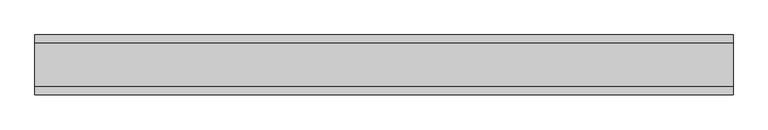
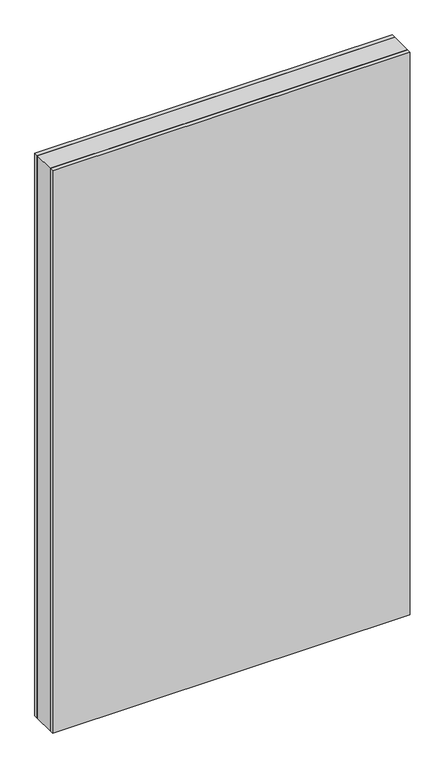
"""IFC4 building model written with IfcOpenShell, lengths in millimetres: plate geometry."""

from ifc_helpers import new_model, si_unit, origin, origin_with_axes, place, context, project, spatial, polyline, outline, extrude, source, transform, mapped, element, save


def plate_84ff893f(model_context):
    return source(origin(), model_context, "Body", "SweptSolid", [
        extrude(outline(polyline([(584.75, 36.0), (584.75, -36.0), (-584.75, -36.0), (-584.75, 36.0), (584.75, 36.0)])), origin_with_axes(), (0.0, 0.0, 1.0), 1943.6971514),
        extrude(outline(polyline([(584.75, 50.0), (584.75, 36.0), (-584.75, 36.0), (-584.75, 50.0), (584.75, 50.0)])), origin_with_axes(), (0.0, 0.0, 1.0), 1943.6971514),
        extrude(outline(polyline([(584.75, -36.0), (584.75, -50.0), (-584.75, -50.0), (-584.75, -36.0), (584.75, -36.0)])), origin_with_axes(), (0.0, 0.0, 1.0), 1943.6971514),
    ])


if __name__ == "__main__":
    model = new_model("IFC4")
    model_context = context("Model", 3, world=origin())
    ifc_project = project(units=[si_unit("LENGTHUNIT", "METRE", prefix="MILLI")], contexts=[model_context])
    site = spatial("IfcSite", under=ifc_project)
    building = spatial("IfcBuilding", under=site)
    placement = place(None, origin())
    plate_shape = plate_84ff893f(model_context)
    element("IfcPlate", 1, at=placement, inside=building, context=model_context, shape_type="MappedRepresentation", body=[
        mapped(plate_shape, transform((0.0, 0.0, 0.0), x_axis=(1.0, 0.0, 0.0), y_axis=(0.0, 1.0, 0.0), z_axis=(0.0, 0.0, 1.0))),
    ])
    save(model, "model.ifc")
